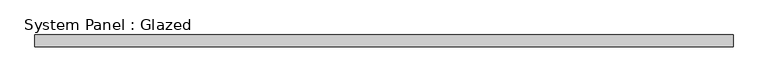
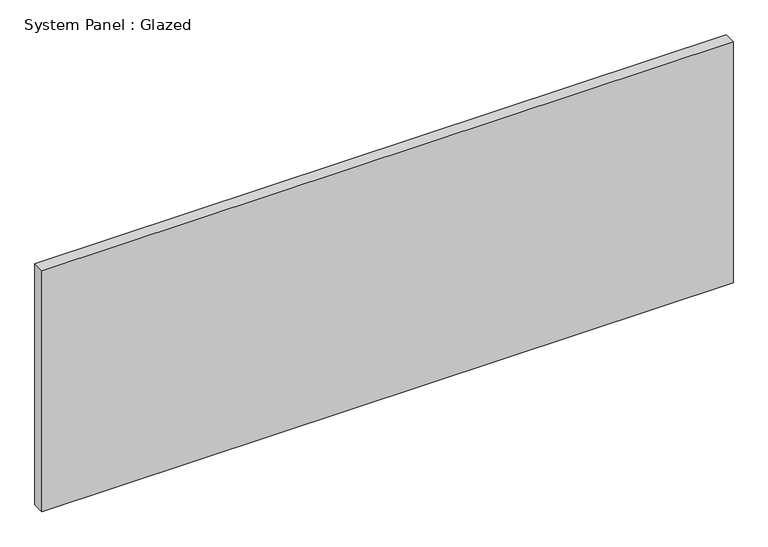
"""IFC4 building model written with IfcOpenShell, lengths in millimetres: plate geometry, System Panel : Glazed."""

from ifc_helpers import new_model, si_unit, origin, origin_with_axes, place, context, project, spatial, polyline, outline, extrude, source, transform, mapped, element, save


def system_panel_glazed_0d47da89(model_context):
    return source(origin(), model_context, "Body", "SweptSolid", [
        extrude(outline(polyline([(749.3, 19.05), (-749.3, 19.05), (-749.3, 44.45), (749.3, 44.45), (749.3, 19.05)])), origin_with_axes(), (0.0, 0.0, 1.0), 552.45),
    ])


if __name__ == "__main__":
    model = new_model("IFC4")
    model_context = context("Model", 3, world=origin())
    ifc_project = project(units=[si_unit("LENGTHUNIT", "METRE", prefix="MILLI")], contexts=[model_context])
    site = spatial("IfcSite", under=ifc_project)
    building = spatial("IfcBuilding", under=site)
    placement = place(None, origin())
    system_panel_glazed_shape = system_panel_glazed_0d47da89(model_context)
    element("IfcPlate", 1, ObjectType="System Panel : Glazed", at=placement, inside=building, context=model_context, shape_type="MappedRepresentation", body=[
        mapped(system_panel_glazed_shape, transform((0.0, 0.0, 0.0), x_axis=(1.0, 0.0, 0.0), y_axis=(0.0, 1.0, 0.0), z_axis=(0.0, 0.0, 1.0))),
    ])
    save(model, "model.ifc")
